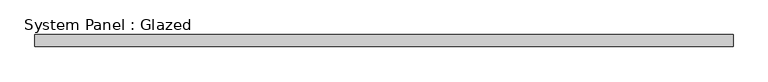
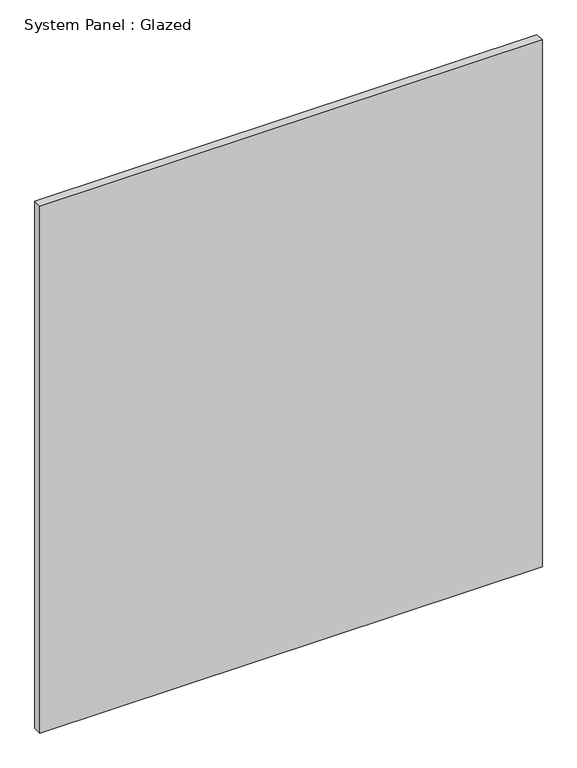
"""IFC4 building model written with IfcOpenShell, lengths in millimetres: plate geometry, System Panel : Glazed."""

from ifc_helpers import new_model, si_unit, origin, origin_with_axes, place, context, project, spatial, polyline, outline, extrude, source, transform, mapped, element, save


def system_panel_glazed_b47577f5(model_context):
    return source(origin(), model_context, "Body", "SweptSolid", [
        extrude(outline(polyline([(733.5358287, -12.7), (-733.5358287, -12.7), (-733.5358287, 12.7), (733.5358287, 12.7), (733.5358287, -12.7)])), origin_with_axes(), (0.0, 0.0, 1.0), 1625.6),
    ])


if __name__ == "__main__":
    model = new_model("IFC4")
    model_context = context("Model", 3, world=origin())
    ifc_project = project(units=[si_unit("LENGTHUNIT", "METRE", prefix="MILLI")], contexts=[model_context])
    site = spatial("IfcSite", under=ifc_project)
    building = spatial("IfcBuilding", under=site)
    placement = place(None, origin())
    system_panel_glazed_shape = system_panel_glazed_b47577f5(model_context)
    element("IfcPlate", 1, ObjectType="System Panel : Glazed", at=placement, inside=building, context=model_context, shape_type="MappedRepresentation", body=[
        mapped(system_panel_glazed_shape, transform((0.0, 0.0, 0.0), x_axis=(1.0, 0.0, 0.0), y_axis=(0.0, 1.0, 0.0), z_axis=(0.0, 0.0, 1.0))),
    ])
    save(model, "model.ifc")
